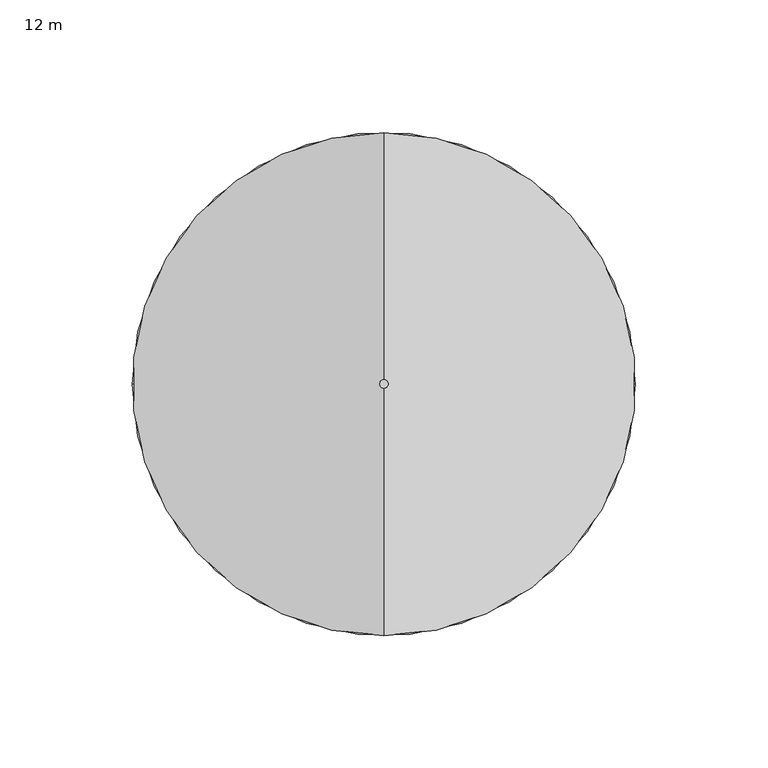
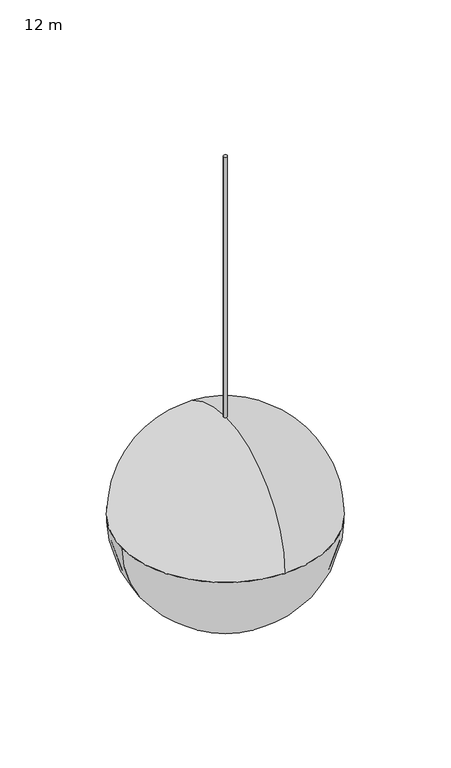
"""IFC4 building model written with IfcOpenShell, lengths in millimetres: furniture geometry, 12 m."""

from ifc_helpers import new_model, si_unit, point, frame, frame_2d, origin, place, context, project, spatial, circle_curve, ellipse_curve, trimmed, segment, composite_curve, outline, extrude, source, transform, mapped, element, save
from ifc_brep_helpers import plane_surface, revolved_surface, advanced_brep


def furniture_12_m_96861fc1(model_context):
    return source(origin(), model_context, "Body", "SolidModel", [
        advanced_brep(
        [(-361.1339083, 345.7919098, 523.331528), (-266.1339083, 345.7919098, 618.331528), (-456.1339083, 345.7919098, 618.331528), (-454.5439083, 345.7919098, 618.331528), (-267.7239083, 345.7919098, 618.331528), (-361.1339083, 345.7919098, 524.921528)],
        [
            (0, 1, circle_curve(frame((-361.1339083, 345.7919098, 618.331528), z_axis=(0.0, -1.0, 0.0), x_axis=(-1.0, 0.0, 0.0)), 95.0)),
            (1, 2, circle_curve(frame((-361.1339083, 345.7919098, 618.331528), z_axis=(0.0, 0.0, -1.0), x_axis=(1.0, 0.0, 0.0)), 95.0)),
            (2, 0, circle_curve(frame((-361.1339083, 345.7919098, 618.331528), z_axis=(0.0, -1.0, 0.0), x_axis=(1.0, 0.0, 0.0)), 95.0)),
            (2, 1, circle_curve(frame((-361.1339083, 345.7919098, 618.331528), z_axis=(0.0, 0.0, -1.0), x_axis=(1.0, 0.0, 0.0)), 95.0)),
            (3, 4, circle_curve(frame((-361.1339083, 345.7919098, 618.331528), z_axis=(0.0, 0.0, 1.0), x_axis=(1.0, 0.0, 0.0)), 93.41)),
            (4, 5, circle_curve(frame((-361.1339083, 345.7919098, 618.331528), z_axis=(0.0, 1.0, 0.0), x_axis=(-1.0, 0.0, 0.0)), 93.41)),
            (5, 3, circle_curve(frame((-361.1339083, 345.7919098, 618.331528), z_axis=(0.0, 1.0, 0.0), x_axis=(1.0, 0.0, 0.0)), 93.41)),
            (4, 3, circle_curve(frame((-361.1339083, 345.7919098, 618.331528), z_axis=(0.0, 0.0, 1.0), x_axis=(1.0, 0.0, 0.0)), 93.41)),
            (1, 4),
            (3, 2),
        ],
        [
            revolved_surface(trimmed(ellipse_curve(frame((-361.1339083, 345.7919098, 618.331528), z_axis=(0.0, 1.0, 0.0), x_axis=(-1.0, 0.0, 0.0)), 95.0, 95.0), [point((-266.1339083, 345.7919098, 618.331528))], [point((-361.1339083, 345.7919098, 523.331528))], True, "CARTESIAN"), (-361.1339083, 345.7919098, 1467.331528), (0.0, 0.0, -1.0)),
            revolved_surface(trimmed(ellipse_curve(frame((-361.1339083, 345.7919098, 618.331528), z_axis=(0.0, -1.0, 0.0), x_axis=(-1.0, 0.0, 0.0)), 93.41, 93.41), [point((-361.1339083, 345.7919098, 524.921528))], [point((-267.7239083, 345.7919098, 618.331528))], True, "CARTESIAN"), (-361.1339083, 345.7919098, 1467.331528), (0.0, 0.0, -1.0)),
            plane_surface(frame((-361.1339083, 345.7919098, 618.331528), z_axis=(0.0, 0.0, 1.0), x_axis=(1.0, 0.0, 0.0))),
        ],
        [
            (0, [[1, 2, 3]]),
            (0, [[-3, 4, -1]]),
            (1, [[5, 6, 7]]),
            (1, [[8, -7, -6]]),
            (2, [[-2, 9, -5, 10]]),
            (2, [[-4, -10, -8, -9]]),
        ],
    ),
        advanced_brep(
        [(-361.1339083, 345.7919098, 618.331528), (-361.1339083, 250.7919098, 618.331528), (-361.1339083, 440.7919098, 618.331528), (-361.1339083, 345.7919098, 713.331528)],
        [
            (0, 1),
            (1, 2, circle_curve(frame((-361.1339083, 345.7919098, 618.331528), z_axis=(0.0, 0.0, -1.0), x_axis=(0.0, -1.0, 0.0)), 95.0)),
            (2, 0),
            (2, 1, circle_curve(frame((-361.1339083, 345.7919098, 618.331528), z_axis=(0.0, 0.0, -1.0), x_axis=(0.0, -1.0, 0.0)), 95.0)),
            (1, 3, circle_curve(frame((-361.1339083, 345.7919098, 618.331528), z_axis=(-1.0, 0.0, 0.0), x_axis=(0.0, 1.0, 0.0)), 95.0)),
            (3, 2, circle_curve(frame((-361.1339083, 345.7919098, 618.331528), z_axis=(-1.0, 0.0, 0.0), x_axis=(0.0, -1.0, 0.0)), 95.0)),
        ],
        [
            plane_surface(frame((-361.1339083, 345.7919098, 618.331528), z_axis=(0.0, 0.0, -1.0), x_axis=(0.0, -1.0, 0.0))),
            revolved_surface(trimmed(ellipse_curve(frame((-361.1339083, 345.7919098, 618.331528), z_axis=(1.0, 0.0, 0.0), x_axis=(0.0, 1.0, 0.0)), 95.0, 95.0), [point((-361.1339083, 345.7919098, 713.331528))], [point((-361.1339083, 250.7919098, 618.331528))], True, "CARTESIAN"), (-361.1339083, 345.7919098, 713.1788805), (0.0, 0.0, -1.0)),
        ],
        [
            (0, [[1, 2, 3]]),
            (0, [[-3, 4, -1]]),
            (1, [[-2, 5, 6]]),
            (1, [[-4, -6, -5]]),
        ],
    ),
        extrude(outline(composite_curve([segment(trimmed(circle_curve(frame_2d((-361.1339083, 345.7919098)), 1.5875), [point((-362.7214083, 345.7919098))], [point((-359.5464083, 345.7919098))], False, "CARTESIAN"), True, "CONTINUOUS"), segment(trimmed(circle_curve(frame_2d((-361.1339083, 345.7919098)), 1.5875), [point((-359.5464083, 345.7919098))], [point((-362.7214083, 345.7919098))], False, "CARTESIAN"), True, "CONTINUOUS")], self_intersect=False)), frame((0.0, 0.0, 713.331528), z_axis=(0.0, 0.0, 1.0), x_axis=(1.0, 0.0, 0.0)), (0.0, 0.0, 1.0), 254.0),
    ])


if __name__ == "__main__":
    model = new_model("IFC4")
    model_context = context("Model", 3, world=origin())
    ifc_project = project(units=[si_unit("LENGTHUNIT", "METRE", prefix="MILLI")], contexts=[model_context])
    site = spatial("IfcSite", under=ifc_project)
    building = spatial("IfcBuilding", under=site)
    placement = place(None, origin())
    furniture_12_m_shape = furniture_12_m_96861fc1(model_context)
    element("IfcFurniture", 1, ObjectType="12 m", at=placement, inside=building, context=model_context, shape_type="MappedRepresentation", body=[
        mapped(furniture_12_m_shape, transform((0.0, 0.0, 0.0), x_axis=(1.0, 0.0, 0.0), y_axis=(0.0, 1.0, 0.0), z_axis=(0.0, 0.0, 1.0))),
    ])
    save(model, "model.ifc")
